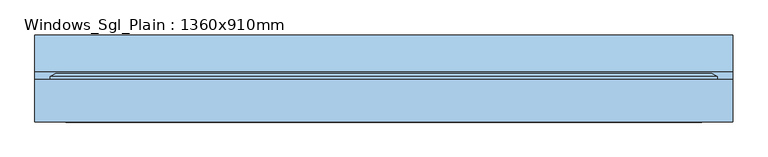
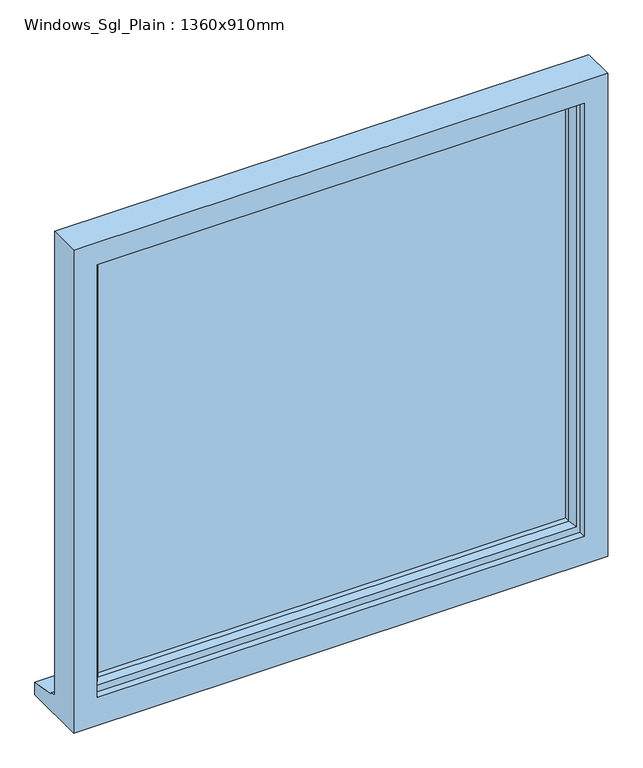
"""IFC4 building model written with IfcOpenShell, lengths in millimetres: window geometry, Windows_Sgl_Plain : 1360x910mm."""

from ifc_helpers import new_model, si_unit, frame, origin, place, context, project, spatial, polyline, outline, extrude, faceted_brep, source, transform, mapped, element, save


def windows_sgl_plain_1360x910mm_fba5c3dc(model_context):
    return source(origin(), model_context, "Body", "SolidModel", [
        faceted_brep([(-680.0, -74.5434322, 810.0), (680.0, -74.5434322, 810.0), (680.0, -74.5434322, 2110.0), (-680.0, -74.5434322, 2110.0), (-620.0, -74.5434322, 2050.0), (620.0, -74.5434322, 2050.0), (620.0, -74.5434322, 885.0), (-620.0, -74.5434322, 885.0), (-680.0, 8.4565678, 2110.0), (-680.0, 8.4565678, 861.0), (-680.0, 23.4565678, 859.68767), (-680.0, 23.4565678, 854.7449676), (-680.0, 95.9565678, 843.8088847), (-680.0, 95.9565678, 810.0), (680.0, 8.4565678, 2110.0), (680.0, 8.4565678, 861.0), (-640.0, 8.4565678, 2070.0), (-640.0, 8.4565678, 873.0), (640.0, 8.4565678, 873.0), (640.0, 8.4565678, 2070.0), (-640.0, -56.5434322, 2070.0), (-640.0, -56.5434322, 873.0), (640.0, -56.5434322, 2070.0), (640.0, -56.5434322, 873.0), (-620.0, -56.5434322, 2050.0), (-620.0, -56.5434322, 885.0), (620.0, -56.5434322, 885.0), (620.0, -56.5434322, 2050.0), (680.0, 95.9565678, 810.0), (680.0, 95.9565678, 843.8088847), (680.0, 23.4565678, 854.7449676), (680.0, 23.4565678, 859.68767)], [[[0, 1, 2, 3], [4, 5, 6, 7]], [[0, 3, 8, 9, 10, 11, 12, 13]], [[9, 8, 14, 15], [16, 17, 18, 19]], [[17, 16, 20, 21]], [[20, 22, 23, 21], [24, 25, 26, 27]], [[24, 4, 7, 25]], [[3, 2, 14, 8]], [[16, 19, 22, 20]], [[5, 4, 24, 27]], [[15, 14, 2, 1, 28, 29, 30, 31]], [[19, 18, 23, 22]], [[5, 27, 26, 6]], [[28, 1, 0, 13]], [[29, 28, 13, 12]], [[30, 29, 12, 11]], [[31, 30, 11, 10]], [[15, 31, 10, 9]], [[21, 23, 18, 17]], [[7, 6, 26, 25]]]),
        extrude(outline(polyline([(610.0, -27.5434322), (-610.0, -27.5434322), (-610.0, -3.5434322), (610.0, -3.5434322), (610.0, -27.5434322)])), frame((0.0, 0.0, 903.0), z_axis=(0.0, 0.0, 1.0), x_axis=(1.0, 0.0, 0.0)), (0.0, 0.0, 1.0), 1137.0),
        faceted_brep([(-650.0, 8.4565678, 2080.0), (-650.0, 14.2300705, 2080.0), (-650.0, 14.2300705, 863.0), (-650.0, 8.4565678, 863.0), (-640.0, -56.5434322, 2070.0), (-640.0, 8.4565678, 2070.0), (-640.0, 8.4565678, 873.0), (-640.0, -56.5434322, 873.0), (-600.0, -42.0505323, 2030.0), (-610.1480377, -56.5434322, 2040.1480377), (-610.1480377, -56.5434322, 902.8519623), (-600.0, -42.0505323, 913.0), (-600.0, -27.5434322, 2030.0), (-600.0, -27.5434322, 913.0), (-610.0, -3.5434322, 2040.0), (-610.0, -27.5434322, 2040.0), (-610.0, -27.5434322, 903.0), (-610.0, -3.5434322, 903.0), (-600.0, 14.2300705, 2030.0), (-600.0, -3.5434322, 2030.0), (-600.0, -3.5434322, 913.0), (-600.0, 14.2300705, 913.0), (-617.4457548, 20.0035732, 2047.4457548), (-617.4457548, 20.0035732, 895.5542452), (-639.2153903, 20.0035732, 2069.2153903), (-639.2153903, 20.0035732, 873.7846097), (650.0, 14.2300705, 863.0), (650.0, 8.4565678, 863.0), (640.0, 8.4565678, 873.0), (640.0, -56.5434322, 873.0), (610.1480377, -56.5434322, 902.8519623), (600.0, -42.0505323, 913.0), (600.0, -27.5434322, 913.0), (610.0, -27.5434322, 903.0), (610.0, -3.5434322, 903.0), (600.0, -3.5434322, 913.0), (600.0, 14.2300705, 913.0), (617.4457548, 20.0035732, 895.5542452), (639.2153903, 20.0035732, 873.7846097), (650.0, 14.2300705, 2080.0), (650.0, 8.4565678, 2080.0), (640.0, 8.4565678, 2070.0), (640.0, -56.5434322, 2070.0), (610.1480377, -56.5434322, 2040.1480377), (600.0, -42.0505323, 2030.0), (600.0, -27.5434322, 2030.0), (610.0, -27.5434322, 2040.0), (610.0, -3.5434322, 2040.0), (600.0, -3.5434322, 2030.0), (600.0, 14.2300705, 2030.0), (617.4457548, 20.0035732, 2047.4457548), (639.2153903, 20.0035732, 2069.2153903)], [[[0, 1, 2, 3]], [[4, 5, 6, 7]], [[8, 9, 10, 11]], [[12, 8, 11, 13]], [[14, 15, 16, 17]], [[18, 19, 20, 21]], [[22, 18, 21, 23]], [[1, 24, 25, 2]], [[3, 2, 26, 27]], [[7, 6, 28, 29]], [[11, 10, 30, 31]], [[13, 11, 31, 32]], [[17, 16, 33, 34]], [[21, 20, 35, 36]], [[23, 21, 36, 37]], [[2, 25, 38, 26]], [[27, 26, 39, 40]], [[29, 28, 41, 42]], [[31, 30, 43, 44]], [[32, 31, 44, 45]], [[34, 33, 46, 47]], [[36, 35, 48, 49]], [[37, 36, 49, 50]], [[26, 38, 51, 39]], [[40, 39, 1, 0]], [[3, 27, 40, 0], [5, 41, 28, 6]], [[42, 41, 5, 4]], [[7, 29, 42, 4], [9, 43, 30, 10]], [[44, 43, 9, 8]], [[45, 44, 8, 12]], [[15, 46, 33, 16], [13, 32, 45, 12]], [[47, 46, 15, 14]], [[17, 34, 47, 14], [19, 48, 35, 20]], [[49, 48, 19, 18]], [[50, 49, 18, 22]], [[24, 51, 38, 25], [23, 37, 50, 22]], [[39, 51, 24, 1]]]),
    ])


if __name__ == "__main__":
    model = new_model("IFC4")
    model_context = context("Model", 3, world=origin())
    ifc_project = project(units=[si_unit("LENGTHUNIT", "METRE", prefix="MILLI")], contexts=[model_context])
    site = spatial("IfcSite", under=ifc_project)
    building = spatial("IfcBuilding", under=site)
    placement = place(None, origin())
    windows_sgl_plain_1360x910mm_shape = windows_sgl_plain_1360x910mm_fba5c3dc(model_context)
    element("IfcWindow", 1, ObjectType="Windows_Sgl_Plain : 1360x910mm", at=placement, inside=building, context=model_context, shape_type="MappedRepresentation", body=[
        mapped(windows_sgl_plain_1360x910mm_shape, transform((0.0, 0.0, 0.0), x_axis=(1.0, 0.0, 0.0), y_axis=(0.0, 1.0, 0.0), z_axis=(0.0, 0.0, 1.0))),
    ])
    save(model, "model.ifc")
